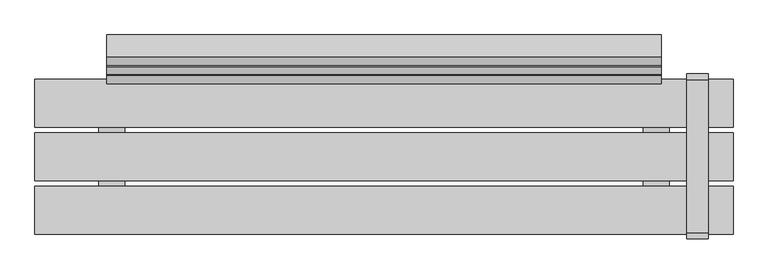
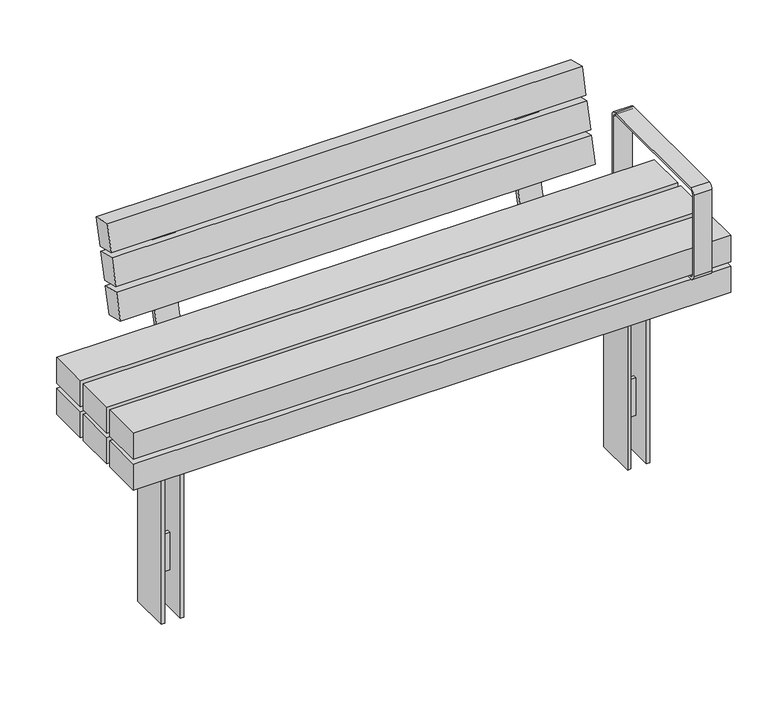
"""IFC4 building model written with IfcOpenShell, lengths in millimetres: furniture geometry."""

from ifc_helpers import new_model, si_unit, point, frame, frame_2d, origin, place, context, project, spatial, polyline, circle_curve, trimmed, segment, composite_curve, outline, extrude, faceted_brep, source, transform, mapped, element, save


def furniture_bd4a654c(model_context):
    return source(origin(), model_context, "Body", "SolidModel", [
        faceted_brep([(-678.5975006, -5.0, -60.0), (-725.6380966, -5.0, -60.0), (-725.6380966, -5.0, -180.0), (-678.5975006, -5.0, -180.0), (-678.5975006, 5.0, -180.0), (-725.6380966, 5.0, -180.0), (-725.6380966, 5.0, -60.0), (-678.5975006, 5.0, -60.0), (-785.6380966, -61.5083224, 258.7167987), (-735.6380966, -61.5083224, 258.7167987), (-735.6380966, -61.5083224, -300.0), (-725.6380966, -61.5083224, -300.0), (-725.6380966, -61.5083224, 268.7167987), (-785.6380966, -61.5083224, 268.7167987), (-618.5975006, -61.5083224, 258.7167987), (-618.5975006, -61.5083224, 268.7167987), (-678.5975006, -61.5083224, 268.7167987), (-678.5975006, -61.5083224, -300.0), (-668.5975006, -61.5083224, -300.0), (-668.5975006, -61.5083224, 258.7167987), (-618.5975006, 61.5083654, 258.7167987), (-668.5975006, 61.5083654, 258.7167987), (-668.5975006, 61.5083654, -300.0), (-678.5975006, 61.5083654, -300.0), (-678.5975006, 61.5083654, 268.7167987), (-618.5975006, 61.5083654, 268.7167987), (-785.6380966, 61.5083654, 258.7167987), (-785.6380966, 61.5083654, 268.7167987), (-725.6380966, 61.5083654, 268.7167987), (-725.6380966, 61.5083654, -300.0), (-735.6380966, 61.5083654, -300.0), (-735.6380966, 61.5083654, 258.7167987)], [[[0, 1, 2, 3]], [[4, 5, 6, 7]], [[1, 0, 7, 6]], [[3, 2, 5, 4]], [[8, 9, 10, 11, 12, 13]], [[14, 15, 16, 17, 18, 19]], [[20, 21, 22, 23, 24, 25]], [[26, 27, 28, 29, 30, 31]], [[9, 8, 26, 31]], [[10, 9, 31, 30]], [[19, 18, 22, 21]], [[14, 19, 21, 20]], [[15, 14, 20, 25]], [[16, 15, 25, 24]], [[17, 16, 24, 23], [0, 3, 4, 7]], [[12, 11, 29, 28], [2, 1, 6, 5]], [[13, 12, 28, 27]], [[8, 13, 27, 26]], [[11, 10, 30, 29]], [[18, 17, 23, 22]]]),
        faceted_brep([(725.6380966, -5.0, -60.0), (678.5975006, -5.0, -60.0), (678.5975006, -5.0, -180.0), (725.6380966, -5.0, -180.0), (725.6380966, 5.0, -180.0), (678.5975006, 5.0, -180.0), (678.5975006, 5.0, -60.0), (725.6380966, 5.0, -60.0), (785.6380966, -61.5083224, 258.7167987), (785.6380966, -61.5083224, 268.7167987), (725.6380966, -61.5083224, 268.7167987), (725.6380966, -61.5083224, -300.0), (735.6380966, -61.5083224, -300.0), (735.6380966, -61.5083224, 258.7167987), (618.5975006, -61.5083224, 258.7167987), (668.5975006, -61.5083224, 258.7167987), (668.5975006, -61.5083224, -300.0), (678.5975006, -61.5083224, -300.0), (678.5975006, -61.5083224, 268.7167987), (618.5975006, -61.5083224, 268.7167987), (785.6380966, 61.5083654, 258.7167987), (735.6380966, 61.5083654, 258.7167987), (735.6380966, 61.5083654, -300.0), (725.6380966, 61.5083654, -300.0), (725.6380966, 61.5083654, 268.7167987), (785.6380966, 61.5083654, 268.7167987), (618.5975006, 61.5083654, 258.7167987), (618.5975006, 61.5083654, 268.7167987), (678.5975006, 61.5083654, 268.7167987), (678.5975006, 61.5083654, -300.0), (668.5975006, 61.5083654, -300.0), (668.5975006, 61.5083654, 258.7167987)], [[[0, 1, 2, 3]], [[4, 5, 6, 7]], [[1, 0, 7, 6]], [[3, 2, 5, 4]], [[8, 9, 10, 11, 12, 13]], [[14, 15, 16, 17, 18, 19]], [[20, 21, 22, 23, 24, 25]], [[26, 27, 28, 29, 30, 31]], [[9, 8, 20, 25]], [[10, 9, 25, 24]], [[11, 10, 24, 23], [0, 3, 4, 7]], [[12, 11, 23, 22]], [[13, 12, 22, 21]], [[8, 13, 21, 20]], [[15, 14, 26, 31]], [[16, 15, 31, 30]], [[17, 16, 30, 29]], [[18, 17, 29, 28], [2, 1, 6, 5]], [[19, 18, 28, 27]], [[14, 19, 27, 26]]]),
        extrude(outline(polyline([(351.8217453, 900.0000373), (351.8217453, -900.0), (268.7167987, -900.0), (268.7167987, 900.0000373), (351.8217453, 900.0000373)]), holes=[polyline([(339.8217453, -888.0), (339.8217453, 888.0), (280.7167987, 888.0), (280.7167987, -888.0), (339.8217453, -888.0)])]), frame((0.0, -61.5000218, 0.0), z_axis=(0.0, 1.0, 0.0), x_axis=(0.0, 0.0, 1.0)), (0.0, 0.0, 1.0), 123.0000435),
        extrude(outline(composite_curve([segment(polyline([(198.4124417, 351.8217453), (-196.5875583, 351.8217453)]), True, "CONTINUOUS"), segment(trimmed(circle_curve(frame_2d((-196.5875583, 366.8217453)), 15.0), [point((-196.5875583, 351.8217453))], [point((-211.5875583, 366.8217453))], False, "CARTESIAN"), True, "CONTINUOUS"), segment(polyline([(-211.5875583, 366.8217453), (-211.5875583, 626.8217453)]), True, "CONTINUOUS"), segment(trimmed(circle_curve(frame_2d((-196.5875583, 626.8217453)), 15.0), [point((-211.5875583, 626.8217453))], [point((-196.5875583, 641.8217453))], False, "CARTESIAN"), True, "CONTINUOUS"), segment(polyline([(-196.5875583, 641.8217453), (198.4124417, 641.8217453)]), True, "CONTINUOUS"), segment(trimmed(circle_curve(frame_2d((198.4124417, 626.8217453)), 15.0), [point((198.4124417, 641.8217453))], [point((213.4124417, 626.8217453))], False, "CARTESIAN"), True, "CONTINUOUS"), segment(polyline([(213.4124417, 626.8217453), (213.4124417, 366.8217453)]), True, "CONTINUOUS"), segment(trimmed(circle_curve(frame_2d((198.4124417, 366.8217453)), 15.0), [point((213.4124417, 366.8217453))], [point((198.4124417, 351.8217453))], False, "CARTESIAN"), True, "CONTINUOUS")], self_intersect=False), holes=[composite_curve([segment(trimmed(circle_curve(frame_2d((-196.5875583, 366.8217453)), 6.5), [point((-203.0875583, 366.8217453))], [point((-196.5875583, 360.3217453))], True, "CARTESIAN"), True, "CONTINUOUS"), segment(polyline([(-196.5875583, 360.3217453), (198.4124417, 360.3217453)]), True, "CONTINUOUS"), segment(trimmed(circle_curve(frame_2d((198.4124417, 366.8217453)), 6.5), [point((198.4124417, 360.3217453))], [point((204.9124417, 366.8217453))], True, "CARTESIAN"), True, "CONTINUOUS"), segment(polyline([(204.9124417, 366.8217453), (204.9124417, 626.8217453)]), True, "CONTINUOUS"), segment(trimmed(circle_curve(frame_2d((198.4124417, 626.8217453)), 6.5), [point((204.9124417, 626.8217453))], [point((198.4124417, 633.3217453))], True, "CARTESIAN"), True, "CONTINUOUS"), segment(polyline([(198.4124417, 633.3217453), (-196.5875583, 633.3217453)]), True, "CONTINUOUS"), segment(trimmed(circle_curve(frame_2d((-196.5875583, 626.8217453)), 6.5), [point((-196.5875583, 633.3217453))], [point((-203.0875583, 626.8217453))], True, "CARTESIAN"), True, "CONTINUOUS"), segment(polyline([(-203.0875583, 626.8217453), (-203.0875583, 366.8217453)]), True, "CONTINUOUS")], self_intersect=False)]), frame((781.1291871, 0.0, 0.0), z_axis=(1.0, 0.0, 0.0), x_axis=(0.0, 1.0, 0.0)), (0.0, 0.0, 1.0), 55.0),
        extrude(outline(composite_curve([segment(polyline([(301.7676975, 665.0239384), (227.7235932, 368.0492568)]), True, "CONTINUOUS"), segment(trimmed(circle_curve(frame_2d((206.9533257, 373.2278661)), 21.4061208), [point((227.7235932, 368.0492568))], [point((206.9533257, 351.8217453))], False, "CARTESIAN"), True, "CONTINUOUS"), segment(polyline([(206.9533257, 351.8217453), (76.4999782, 351.8217453), (76.4999782, 366.8258682), (207.2227467, 366.8258682)]), True, "CONTINUOUS"), segment(trimmed(circle_curve(frame_2d((207.2227467, 376.8258682)), 10.0), [point((207.2227467, 366.8258682))], [point((216.925704, 374.4066493))], True, "CARTESIAN"), True, "CONTINUOUS"), segment(polyline([(216.925704, 374.4066493), (290.8352259, 670.8415506), (252.7658072, 680.3333227), (255.6688699, 691.9768714), (290.84209, 683.2072027)]), True, "CONTINUOUS"), segment(trimmed(circle_curve(frame_2d((287.2132616, 668.6527668)), 15.0), [point((290.84209, 683.2072027))], [point((301.7676975, 665.0239384))], False, "CARTESIAN"), True, "CONTINUOUS")], self_intersect=False)), frame((-582.1768452, 0.0, 0.0), z_axis=(1.0, 0.0, 0.0), x_axis=(0.0, 1.0, 0.0)), (0.0, 0.0, 1.0), 70.0),
        extrude(outline(composite_curve([segment(polyline([(301.7676975, 665.0239384), (227.7235932, 368.0492568)]), True, "CONTINUOUS"), segment(trimmed(circle_curve(frame_2d((206.9533257, 373.2278661)), 21.4061208), [point((227.7235932, 368.0492568))], [point((206.9533257, 351.8217453))], False, "CARTESIAN"), True, "CONTINUOUS"), segment(polyline([(206.9533257, 351.8217453), (76.4999782, 351.8217453), (76.4999782, 366.8258682), (207.2227467, 366.8258682)]), True, "CONTINUOUS"), segment(trimmed(circle_curve(frame_2d((207.2227467, 376.8258682)), 10.0), [point((207.2227467, 366.8258682))], [point((216.925704, 374.4066493))], True, "CARTESIAN"), True, "CONTINUOUS"), segment(polyline([(216.925704, 374.4066493), (290.8352259, 670.8415506), (252.7658072, 680.3333227), (255.6688699, 691.9768714), (290.84209, 683.2072027)]), True, "CONTINUOUS"), segment(trimmed(circle_curve(frame_2d((287.2132616, 668.6527668)), 15.0), [point((290.84209, 683.2072027))], [point((301.7676975, 665.0239384))], False, "CARTESIAN"), True, "CONTINUOUS")], self_intersect=False)), frame((512.1769562, 0.0, 0.0), z_axis=(1.0, 0.0, 0.0), x_axis=(0.0, 1.0, 0.0)), (0.0, 0.0, 1.0), 70.0),
        extrude(outline(polyline([(0.0, -60.0), (0.0, 0.0), (1430.0000015, 0.0), (1430.0000015, -60.0), (0.0, -60.0)])), frame((715.0000752, 188.1106519, 506.8497082), z_axis=(0.0, 0.24226794219074058, 0.9702093816216497), x_axis=(-1.0, 0.0, 0.0)), (0.0, 0.0, 1.0), 82.9016978),
        extrude(outline(polyline([(0.0, -60.0), (0.0, 0.0), (1430.0000015, 0.0), (1430.0000015, -60.0), (0.0, -60.0)])), frame((715.0000752, 211.8519257, 601.9262847), z_axis=(0.0, 0.24226794219074002, 0.9702093816216498), x_axis=(-1.0, 0.0, 0.0)), (0.0, 0.0, 1.0), 82.9016978),
        extrude(outline(polyline([(0.0, -60.0), (0.0, 0.0), (1430.0000015, 0.0), (1430.0000015, -60.0), (0.0, -60.0)])), frame((715.0000752, 235.5883657, 696.9835034), z_axis=(0.0, 0.24226794219073886, 0.9702093816216503), x_axis=(-1.0, 0.0, 0.0)), (0.0, 0.0, 1.0), 82.9016978),
        extrude(outline(polyline([(900.0, -76.5174894), (900.0, -199.5174894), (-900.0, -199.5174894), (-900.0, -76.5174894), (900.0, -76.5174894)])), frame((0.0, 0.0, 366.8258682), z_axis=(0.0, 0.0, 1.0), x_axis=(1.0, 0.0, 0.0)), (0.0, 0.0, 1.0), 83.1049466),
        extrude(outline(polyline([(900.0, 61.4888479), (900.0, -61.5111521), (-900.0, -61.5111521), (-900.0, 61.4888479), (900.0, 61.4888479)])), frame((0.0, 0.0, 366.8258682), z_axis=(0.0, 0.0, 1.0), x_axis=(1.0, 0.0, 0.0)), (0.0, 0.0, 1.0), 83.1049466),
        extrude(outline(polyline([(900.0, 199.4999782), (900.0, 76.4999782), (-900.0, 76.4999782), (-900.0, 199.4999782), (900.0, 199.4999782)])), frame((0.0, 0.0, 366.8258682), z_axis=(0.0, 0.0, 1.0), x_axis=(1.0, 0.0, 0.0)), (0.0, 0.0, 1.0), 83.1049466),
        extrude(outline(polyline([(900.0, -76.5174894), (900.0, -199.5174894), (-900.0, -199.5174894), (-900.0, -76.5174894), (900.0, -76.5174894)])), frame((0.0, 0.0, 268.7167987), z_axis=(0.0, 0.0, 1.0), x_axis=(1.0, 0.0, 0.0)), (0.0, 0.0, 1.0), 83.1049466),
        extrude(outline(polyline([(900.0, 199.4999782), (900.0, 76.4999782), (-900.0, 76.4999782), (-900.0, 199.4999782), (900.0, 199.4999782)])), frame((0.0, 0.0, 268.7167987), z_axis=(0.0, 0.0, 1.0), x_axis=(1.0, 0.0, 0.0)), (0.0, 0.0, 1.0), 83.1049466),
        extrude(outline(polyline([(735.4649994, -171.2111197), (668.4244034, -171.2111197), (668.4244034, 168.7288553), (735.4649994, 168.7288553), (735.4649994, -171.2111197)])), frame((0.0, 0.0, 351.8217453), z_axis=(0.0, 0.0, 1.0), x_axis=(1.0, 0.0, 0.0)), (0.0, 0.0, 1.0), 15.004123),
        extrude(outline(polyline([(-668.5975006, -171.2111197), (-735.6380966, -171.2111197), (-735.6380966, 168.7288553), (-668.5975006, 168.7288553), (-668.5975006, -171.2111197)])), frame((0.0, 0.0, 351.8217453), z_axis=(0.0, 0.0, 1.0), x_axis=(1.0, 0.0, 0.0)), (0.0, 0.0, 1.0), 15.004123),
    ])


if __name__ == "__main__":
    model = new_model("IFC4")
    model_context = context("Model", 3, world=origin())
    ifc_project = project(units=[si_unit("LENGTHUNIT", "METRE", prefix="MILLI")], contexts=[model_context])
    site = spatial("IfcSite", under=ifc_project)
    building = spatial("IfcBuilding", under=site)
    placement = place(None, origin())
    furniture_shape = furniture_bd4a654c(model_context)
    element("IfcFurniture", 1, at=placement, inside=building, context=model_context, shape_type="MappedRepresentation", body=[
        mapped(furniture_shape, transform((0.0, 0.0, 0.0), x_axis=(1.0, 0.0, 0.0), y_axis=(0.0, 1.0, 0.0), z_axis=(0.0, 0.0, 1.0))),
    ])
    save(model, "model.ifc")
